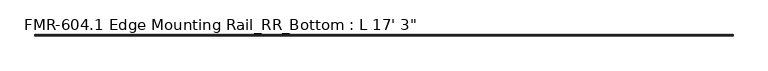
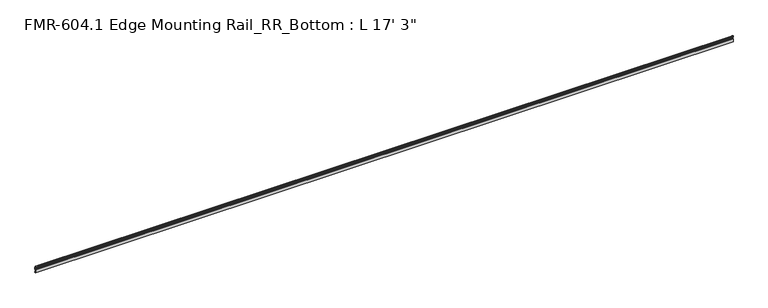
"""IFC4 building model written with IfcOpenShell, lengths in millimetres: proxy geometry."""

from ifc_helpers import new_model, si_unit, point, frame, frame_2d, origin, place, context, project, spatial, polyline, circle_curve, trimmed, segment, composite_curve, outline, extrude, source, transform, mapped, element, save


def proxy_6f592eff(model_context):
    return source(origin(), model_context, "Body", "SweptSolid", [
        extrude(outline(composite_curve([segment(polyline([(19.05, 16.8792515), (11.1125, 16.8792515), (11.1125, 42.2833359), (17.3193577, 42.2833359)]), True, "CONTINUOUS"), segment(trimmed(circle_curve(frame_2d((17.3193577, 43.0783559)), 0.79502), [point((17.3193577, 42.2833359))], [point((18.1143777, 43.0783559))], True, "CARTESIAN"), True, "CONTINUOUS"), segment(polyline([(18.1143777, 43.0783559), (18.1143777, 46.9336332), (18.6235415, 47.5853332), (18.6235415, 49.5018353), (18.1143777, 50.1086332), (18.1143777, 53.395922)]), True, "CONTINUOUS"), segment(trimmed(circle_curve(frame_2d((16.5268777, 53.395922)), 1.5875), [point((18.1143777, 53.395922))], [point((16.5268777, 54.983422))], True, "CARTESIAN"), True, "CONTINUOUS"), segment(polyline([(16.5268777, 54.983422), (13.3518777, 54.983422)]), True, "CONTINUOUS"), segment(trimmed(circle_curve(frame_2d((13.3518777, 58.158422)), 3.175), [point((13.3518777, 54.983422))], [point((10.1768777, 58.158422))], False, "CARTESIAN"), True, "CONTINUOUS"), segment(polyline([(10.1768777, 58.158422), (10.1768777, 67.0682251)]), True, "CONTINUOUS"), segment(trimmed(circle_curve(frame_2d((11.3695542, 65.9774674)), 1.6162393), [point((10.1768777, 67.0682251))], [point((12.4982469, 67.1343089))], False, "CARTESIAN"), True, "CONTINUOUS"), segment(polyline([(12.4982469, 67.1343089), (14.307046, 56.570922), (16.5268777, 56.570922)]), True, "CONTINUOUS"), segment(trimmed(circle_curve(frame_2d((16.5268777, 53.395922)), 3.175), [point((16.5268777, 56.570922))], [point((19.7018777, 53.395922))], False, "CARTESIAN"), True, "CONTINUOUS"), segment(polyline([(19.7018777, 53.395922), (19.7018777, 42.2833359)]), True, "CONTINUOUS"), segment(trimmed(circle_curve(frame_2d((18.1143777, 42.2833359)), 1.5875), [point((19.7018777, 42.2833359))], [point((18.1143777, 40.6958359))], False, "CARTESIAN"), True, "CONTINUOUS"), segment(polyline([(18.1143777, 40.6958359), (12.7, 40.6958359), (12.7, 18.4667515), (17.4625, 18.4667515), (17.4625, 20.0542515), (19.05, 20.0542515), (19.05, 16.8792515)]), True, "CONTINUOUS")], self_intersect=False)), frame((-4953.0, 0.0, 0.0), z_axis=(1.0, 0.0, 0.0), x_axis=(0.0, 1.0, 0.0)), (0.0, 0.0, 1.0), 5257.8),
    ])


if __name__ == "__main__":
    model = new_model("IFC4")
    model_context = context("Model", 3, world=origin())
    ifc_project = project(units=[si_unit("LENGTHUNIT", "METRE", prefix="MILLI")], contexts=[model_context])
    site = spatial("IfcSite", under=ifc_project)
    building = spatial("IfcBuilding", under=site)
    placement = place(None, origin())
    proxy_shape = proxy_6f592eff(model_context)
    element("IfcBuildingElementProxy", 1, Name="FMR-604.1 Edge Mounting Rail_RR_Bottom : L 17' 3\"", ObjectType="FMR-604.1 Edge Mounting Rail_RR_Bottom : L 17' 3\"", at=placement, inside=building, context=model_context, shape_type="MappedRepresentation", body=[
        mapped(proxy_shape, transform((0.0, 0.0, 0.0), x_axis=(1.0, 0.0, 0.0), y_axis=(0.0, 1.0, 0.0), z_axis=(0.0, 0.0, 1.0))),
    ])
    save(model, "model.ifc")
